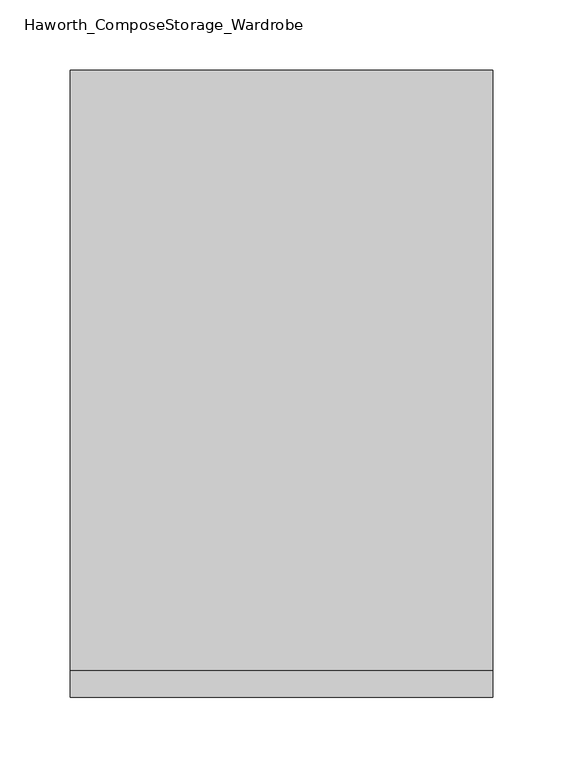
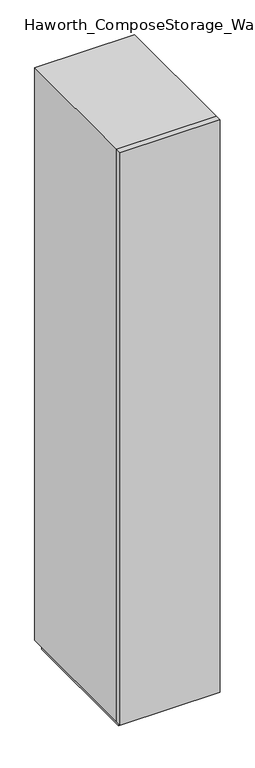
"""IFC4 building model written with IfcOpenShell, lengths in millimetres: furniture geometry, Haworth_ComposeStorage_Wardrobe."""

from ifc_helpers import new_model, si_unit, frame, origin, origin_with_axes, place, context, project, spatial, polyline, outline, extrude, faceted_brep, source, transform, mapped, element, save


def haworth_composestorage_wardrobe_b1fc521b(model_context):
    return source(origin(), model_context, "Body", "SolidModel", [
        extrude(outline(polyline([(150.8263906, -233.3625), (-150.7986094, -233.3625), (-150.7986094, -214.3125), (150.8263906, -214.3125), (150.8263906, -233.3625)])), frame((0.0, 0.0, 25.4), z_axis=(0.0, 0.0, 1.0), x_axis=(1.0, 0.0, 0.0)), (0.0, 0.0, 1.0), 1828.8),
        faceted_brep([(-150.7986094, -214.3125, 25.4), (150.8263906, -214.3125, 25.4), (150.8263906, -214.3125, 1854.2), (-150.7986094, -214.3125, 1854.2), (-131.7486094, -214.3125, 44.45), (-131.7486094, -214.3125, 1835.15), (131.7486094, -214.3125, 1835.15), (131.7486094, -214.3125, 44.45), (-150.7986094, 214.3125, 25.4), (-150.7986094, 214.3125, 1854.2), (150.8263906, 214.3125, 1854.2), (150.8263906, 214.3125, 25.4), (-131.7486094, 195.2625, 44.45), (-131.7486094, 195.2625, 1835.15), (131.7486094, 195.2625, 1835.15), (131.7486094, 195.2625, 44.45)], [[[0, 1, 2, 3], [4, 5, 6, 7]], [[8, 9, 10, 11]], [[1, 0, 8, 11]], [[2, 1, 11, 10]], [[3, 2, 10, 9]], [[0, 3, 9, 8]], [[5, 4, 12, 13]], [[6, 5, 13, 14]], [[7, 6, 14, 15]], [[4, 7, 15, 12]], [[13, 12, 15, 14]]]),
        extrude(outline(polyline([(138.1263906, -201.6125), (-138.0986094, -201.6125), (-138.0986094, 201.6125), (138.1263906, 201.6125), (138.1263906, -201.6125)])), origin_with_axes(), (0.0, 0.0, 1.0), 25.4),
    ])


if __name__ == "__main__":
    model = new_model("IFC4")
    model_context = context("Model", 3, world=origin())
    ifc_project = project(units=[si_unit("LENGTHUNIT", "METRE", prefix="MILLI")], contexts=[model_context])
    site = spatial("IfcSite", under=ifc_project)
    building = spatial("IfcBuilding", under=site)
    placement = place(None, origin())
    haworth_composestorage_wardrobe_shape = haworth_composestorage_wardrobe_b1fc521b(model_context)
    element("IfcFurniture", 1, ObjectType="Haworth_ComposeStorage_Wardrobe", at=placement, inside=building, context=model_context, shape_type="MappedRepresentation", body=[
        mapped(haworth_composestorage_wardrobe_shape, transform((0.0, 0.0, 0.0), x_axis=(1.0, 0.0, 0.0), y_axis=(0.0, 1.0, 0.0), z_axis=(0.0, 0.0, 1.0))),
    ])
    save(model, "model.ifc")
